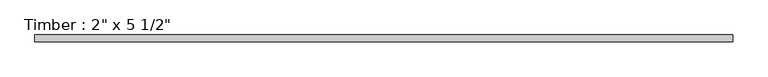
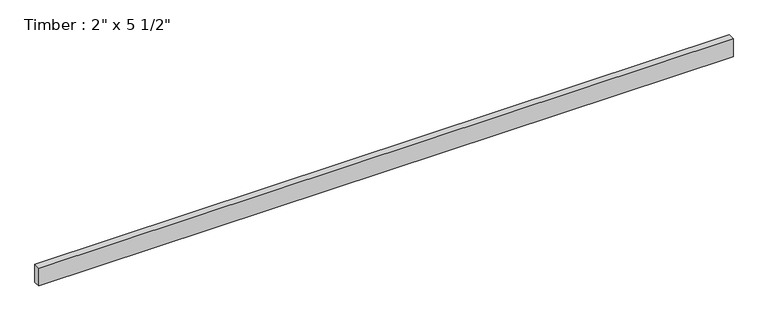
"""IFC4 building model written with IfcOpenShell, lengths in millimetres: beam geometry."""

from ifc_helpers import new_model, si_unit, frame, origin, place, context, project, spatial, polyline, outline, extrude, source, transform, mapped, element, save


def beam_61fb4e8c(model_context):
    return source(origin(), model_context, "Body", "SweptSolid", [
        extrude(outline(polyline([(2587.3469326, 25.4), (2587.3469326, -25.4), (-2587.3469326, -25.4), (-2587.3469326, 25.4), (2587.3469326, 25.4)])), frame((0.0, 0.0, -69.85), z_axis=(0.0, 0.0, 1.0), x_axis=(1.0, 0.0, 0.0)), (0.0, 0.0, 1.0), 139.7),
    ])


if __name__ == "__main__":
    model = new_model("IFC4")
    model_context = context("Model", 3, world=origin())
    ifc_project = project(units=[si_unit("LENGTHUNIT", "METRE", prefix="MILLI")], contexts=[model_context])
    site = spatial("IfcSite", under=ifc_project)
    building = spatial("IfcBuilding", under=site)
    placement = place(None, origin())
    beam_shape = beam_61fb4e8c(model_context)
    element("IfcBeam", 1, ObjectType="Timber : 2\" x 5 1/2\"", at=placement, inside=building, context=model_context, shape_type="MappedRepresentation", body=[
        mapped(beam_shape, transform((0.0, 0.0, 0.0), x_axis=(1.0, 0.0, 0.0), y_axis=(0.0, 1.0, 0.0), z_axis=(0.0, 0.0, 1.0))),
    ])
    save(model, "model.ifc")
